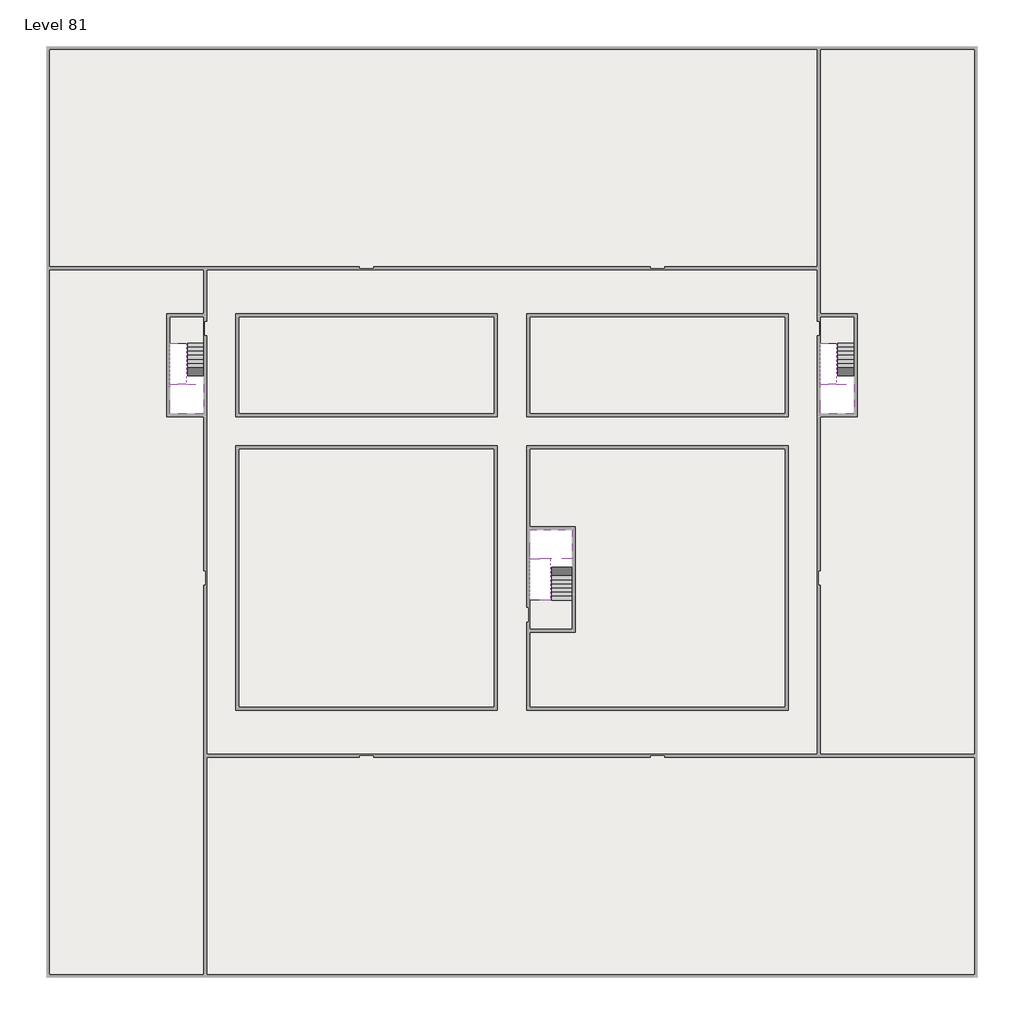
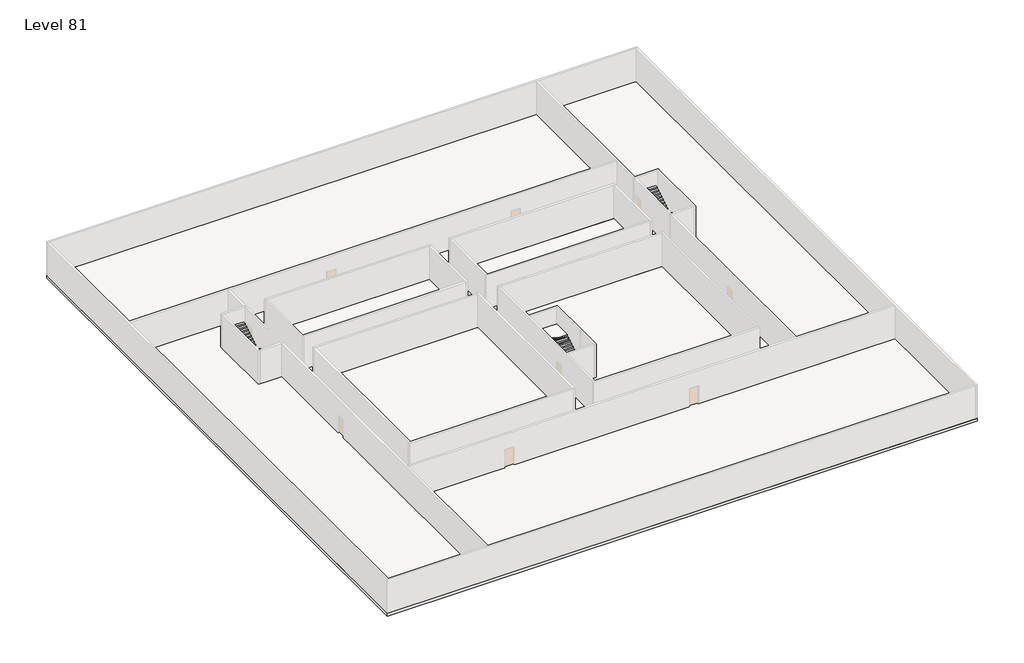
# One storey, part 2 of 2: 6 slabs, 6 stair flights.
"""IFC4 building model written with IfcOpenShell, lengths in millimetres."""

import ifcopenshell
import ifcopenshell.guid

model = None  # the IFC model being written
_history = None  # IfcOwnerHistory: only IFC2X3 demands one
_inside = {}  # id of a spatial element -> (the spatial element, [elements in it])
_under = {}  # id of a project, library or spatial element -> (it, [spatial elements below it])
_declared = {}  # id of a project -> (the project, [libraries it declares])
_typed = {}  # id of a type object -> (the type object, [elements of that type])
_made_of = {}  # id of a material, layer set ... -> (it, [elements and type objects made of it])


def new_model(schema):
    """Start an empty IFC model of exactly this schema.

    Asked for "IFC4X3", IfcOpenShell would pick the latest addendum, in which some entities
    have other attributes; the version numbers below select the first issue.
    IFC2X3 requires an IfcOwnerHistory on every rooted entity: one is made here for all.
    """
    global model, _history
    if schema == "IFC4X3":
        model = ifcopenshell.file(schema_version=(4, 3, 0, 0))
    else:
        model = ifcopenshell.file(schema=schema)
    _inside.clear()
    _under.clear()
    _declared.clear()
    _typed.clear()
    _made_of.clear()
    _history = None
    if model.schema == "IFC2X3":
        org = make("IfcOrganization", Name="unknown")
        user = make(
            "IfcPersonAndOrganization",
            ThePerson=make("IfcPerson", FamilyName="unknown"),
            TheOrganization=org,
        )
        app = make(
            "IfcApplication",
            ApplicationDeveloper=org,
            Version="unknown",
            ApplicationFullName="unknown",
            ApplicationIdentifier="unknown",
        )
        _history = make(
            "IfcOwnerHistory",
            OwningUser=user,
            OwningApplication=app,
            ChangeAction="ADDED",
            CreationDate=0,
        )
    return model


def make(cls, **values):
    """One entity of the class cls with the attributes given. An attribute that is None is left unset."""
    return model.create_entity(
        cls, **{name: value for name, value in values.items() if value is not None}
    )


def rooted(cls, **values):
    """An entity with a GlobalId (a new one), such as an element, a storey or a relation."""
    return make(cls, GlobalId=ifcopenshell.guid.new(), OwnerHistory=_history, **values)


def si_unit(unit_type, name, prefix=None):
    """IfcSIUnit, for example si_unit("LENGTHUNIT", "METRE", prefix="MILLI")."""
    return make("IfcSIUnit", UnitType=unit_type, Prefix=prefix, Name=name)


def assignment(units):
    """IfcUnitAssignment: the units of a project."""
    return None if units is None else make("IfcUnitAssignment", Units=units)


def point(xyz):
    """IfcCartesianPoint."""
    return None if xyz is None else make("IfcCartesianPoint", Coordinates=xyz)


def direction(xyz):
    """IfcDirection."""
    return None if xyz is None else make("IfcDirection", DirectionRatios=xyz)


def frame(location, z_axis=None, x_axis=None):
    """IfcAxis2Placement3D, a coordinate frame: its origin and axes. An axis left out is left unset."""
    return make(
        "IfcAxis2Placement3D",
        Location=point(location),
        Axis=direction(z_axis),
        RefDirection=direction(x_axis),
    )


def origin():
    """The frame at (0, 0, 0) with its axes left unset."""
    return frame((0.0, 0.0, 0.0))


def place(relative_to, where):
    """IfcLocalPlacement: puts the frame where relative to a parent placement (None: the world)."""
    return make(
        "IfcLocalPlacement", PlacementRelTo=relative_to, RelativePlacement=where
    )


def context(
    kind, dimensions, precision=None, world=None, true_north=None, identifier=None
):
    """IfcGeometricRepresentationContext, for example the 3D "Model" context."""
    return make(
        "IfcGeometricRepresentationContext",
        ContextIdentifier=identifier,
        ContextType=kind,
        CoordinateSpaceDimension=dimensions,
        Precision=precision,
        WorldCoordinateSystem=world,
        TrueNorth=true_north,
    )


def project(units=None, contexts=None):
    """IfcProject with its units and contexts."""
    return rooted(
        "IfcProject",
        Name="project",
        RepresentationContexts=contexts,
        UnitsInContext=assignment(units),
    )


def spatial(cls, under=None, at=None, **own):
    """A site, building, storey or space (cls), placed at a placement, below another one or the project."""
    s = rooted(cls, ObjectPlacement=at, **own)
    if under is not None:
        _under.setdefault(under.id(), (under, []))[1].append(s)
    return s


def polyline(points):
    """IfcPolyline through the points."""
    return make("IfcPolyline", Points=[point(p) for p in points])


def outline(outer, holes=None, kind="AREA"):
    """IfcArbitraryClosedProfileDef: a profile drawn as a closed curve; with holes, ...WithVoids."""
    if holes is None:
        return make("IfcArbitraryClosedProfileDef", ProfileType=kind, OuterCurve=outer)
    return make(
        "IfcArbitraryProfileDefWithVoids",
        ProfileType=kind,
        OuterCurve=outer,
        InnerCurves=holes,
    )


def extrude(swept, where, along, depth):
    """IfcExtrudedAreaSolid: the profile swept, set in the frame where, extruded along a direction by depth."""
    return make(
        "IfcExtrudedAreaSolid",
        SweptArea=swept,
        Position=where,
        ExtrudedDirection=direction(along),
        Depth=depth,
    )


def faces_of(points, faces, orient=None, outer=None):
    """IfcFace entities. A face is a list of loops; a loop is a list of indices into points, from 0.

    orient and outer hold one flag for each loop. By default every Orientation is true, the
    first loop of a face is its IfcFaceOuterBound and the others are IfcFaceBound.
    """
    made = []
    for i, loops in enumerate(faces):
        bounds = []
        for j, loop in enumerate(loops):
            is_outer = j == 0 if outer is None else outer[i][j]
            bounds.append(
                make(
                    "IfcFaceOuterBound" if is_outer else "IfcFaceBound",
                    Bound=make("IfcPolyLoop", Polygon=[points[k] for k in loop]),
                    Orientation=True if orient is None else orient[i][j],
                )
            )
        made.append(make("IfcFace", Bounds=bounds))
    return made


def faceted_brep(points, faces, orient=None, outer=None, voids=None):
    """IfcFacetedBrep: a solid bounded by flat faces; with voids (closed shells), ...WithVoids."""
    shared = [point(p) for p in points]
    hull = make("IfcClosedShell", CfsFaces=faces_of(shared, faces, orient, outer))
    if voids is None:
        return make("IfcFacetedBrep", Outer=hull)
    return make(
        "IfcFacetedBrepWithVoids",
        Outer=hull,
        Voids=[
            make(cls, CfsFaces=faces_of(shared, fs, o, b)) for cls, fs, o, b in voids
        ],
    )


def shape(context_of_items, identifier, shape_type, items):
    """IfcShapeRepresentation: the items that make up one representation, for example the "Body"."""
    return make(
        "IfcShapeRepresentation",
        ContextOfItems=context_of_items,
        RepresentationIdentifier=identifier,
        RepresentationType=shape_type,
        Items=items,
    )


def made_of(thing, what):
    """Note that an element or type object is made of a material, layer set ...; save() writes the relation."""
    if what is not None:
        _made_of.setdefault(what.id(), (what, []))[1].append(thing)
    return thing


def element(
    cls,
    number,
    at=None,
    inside=None,
    cuts=None,
    type_object=None,
    material=None,
    context=None,
    identifier="Body",
    shape_type=None,
    held_by="IfcProductDefinitionShape",
    body=None,
    shapes=None,
    **own,
):
    """One element of the class cls, such as IfcWall. Its Tag is "e" and its number.

    at: its placement. inside: the storey or other place that contains it. cuts: it is an
    opening in that element (IfcRelVoidsElement). A single representation is given by context,
    identifier, shape_type and body (its items); several are given by shapes. held_by: the class
    of the entity that holds the representations. save() writes the other relations.
    """
    e = rooted(cls, Tag="e%d" % number, ObjectPlacement=at, **own)
    if body is not None:
        shapes = [shape(context, identifier, shape_type, body)]
    if shapes is not None:
        e.Representation = make(held_by, Representations=shapes)
    if inside is not None:
        _inside.setdefault(inside.id(), (inside, []))[1].append(e)
    if cuts is not None:
        rooted(
            "IfcRelVoidsElement", RelatingBuildingElement=cuts, RelatedOpeningElement=e
        )
    if type_object is not None:
        _typed.setdefault(type_object.id(), (type_object, []))[1].append(e)
    return made_of(e, material)


def aggregate(whole, parts):
    """IfcRelAggregates: a whole, such as a stair, and the parts it consists of."""
    return rooted("IfcRelAggregates", RelatingObject=whole, RelatedObjects=parts)


def save(model, path):
    """Write the relations noted so far, then the file.

    IfcRelAggregates (storeys below a building ...), IfcRelContainedInSpatialStructure (elements
    in a storey), IfcRelDefinesByType, IfcRelAssociatesMaterial and IfcRelDeclares: one each for
    every whole, place, type object, material and project.
    """
    for whole, parts in _under.values():
        aggregate(whole, parts)
    for where, things in _inside.values():
        rooted(
            "IfcRelContainedInSpatialStructure",
            RelatedElements=things,
            RelatingStructure=where,
        )
    for kind, things in _typed.values():
        rooted("IfcRelDefinesByType", RelatedObjects=things, RelatingType=kind)
    for what, things in _made_of.values():
        rooted("IfcRelAssociatesMaterial", RelatedObjects=things, RelatingMaterial=what)
    for by, libraries in _declared.values():
        rooted("IfcRelDeclares", RelatingContext=by, RelatedDefinitions=libraries)
    model.write(path)


model = new_model("IFC4")

# Units and contexts
model_context = context("Model", 3, world=origin())
ifc_project = project(units=[si_unit("LENGTHUNIT", "METRE", prefix="MILLI")], contexts=[model_context])

# Site, building, storey
site = spatial("IfcSite", under=ifc_project)
building = spatial("IfcBuilding", under=site)
storey = spatial("IfcBuildingStorey", under=building, Name="Level 81", Elevation=304000.0)

# Slabs
placement = place(None, origin())
element("IfcSlab", 1, at=placement, inside=storey, context=model_context, shape_type="SweptSolid", body=[
    extrude(outline(polyline([(55890.1058784, -5518.09644), (55890.1058784, -68918.09644), (-7509.8941216, -68918.09644), (-7509.8941216, -5518.09644), (55890.1058784, -5518.09644)]), holes=[polyline([(22990.1058784, -23918.09644), (5590.1058784, -23918.09644), (5590.1058784, -30518.09644), (22990.1058784, -30518.09644), (22990.1058784, -23918.09644)]), polyline([(42990.1058784, -23918.09644), (25390.1058784, -23918.09644), (25390.1058784, -30518.09644), (42990.1058784, -30518.09644), (42990.1058784, -23918.09644)]), polyline([(25390.1058784, -50518.09644), (42790.1058784, -50518.09644), (42790.1058784, -32918.09644), (25390.1058784, -32918.09644), (25390.1058784, -50518.09644)]), polyline([(22990.1058784, -32918.09644), (5590.1058784, -32918.09644), (5590.1058784, -50518.09644), (22990.1058784, -50518.09644), (22990.1058784, -32918.09644)]), polyline([(3190.1058784, -23918.09644), (890.1058784, -23918.09644), (890.1058784, -30518.09644), (3190.1058784, -30518.09644), (3190.1058784, -23918.09644)]), polyline([(47490.1058784, -23918.09644), (45190.1058784, -23918.09644), (45190.1058784, -30518.09644), (47490.1058784, -30518.09644), (47490.1058784, -23918.09644)])]), frame((0.0, 0.0, 303700.0), z_axis=(0.0, 0.0, 1.0), x_axis=(1.0, 0.0, 0.0)), (0.0, 0.0, 1.0), 300.0),
])
element("IfcSlab", 2, at=placement, inside=storey, context=model_context, shape_type="SweptSolid", body=[
    extrude(outline(polyline([(22990.1058784, -23918.09644), (22990.1058784, -30518.09644), (5590.1058784, -30518.09644), (5590.1058784, -23918.09644), (22990.1058784, -23918.09644)])), frame((0.0, 0.0, 303700.0), z_axis=(0.0, 0.0, 1.0), x_axis=(1.0, 0.0, 0.0)), (0.0, 0.0, 1.0), 300.0),
    extrude(outline(polyline([(42990.1058784, -23918.09644), (42990.1058784, -30518.09644), (25390.1058784, -30518.09644), (25390.1058784, -23918.09644), (42990.1058784, -23918.09644)])), frame((0.0, 0.0, 303700.0), z_axis=(0.0, 0.0, 1.0), x_axis=(1.0, 0.0, 0.0)), (0.0, 0.0, 1.0), 300.0),
    extrude(outline(polyline([(22990.1058784, -32918.09644), (22990.1058784, -50518.09644), (5590.1058784, -50518.09644), (5590.1058784, -32918.09644), (22990.1058784, -32918.09644)])), frame((0.0, 0.0, 303700.0), z_axis=(0.0, 0.0, 1.0), x_axis=(1.0, 0.0, 0.0)), (0.0, 0.0, 1.0), 300.0),
    extrude(outline(polyline([(25390.1058784, -38218.09644), (25390.1058784, -32918.09644), (42790.1058784, -32918.09644), (42790.1058784, -50518.09644), (25390.1058784, -50518.09644), (25390.1058784, -45418.09644), (28490.1058784, -45418.09644), (28490.1058784, -38218.09644), (25390.1058784, -38218.09644)])), frame((0.0, 0.0, 303700.0), z_axis=(0.0, 0.0, 1.0), x_axis=(1.0, 0.0, 0.0)), (0.0, 0.0, 1.0), 300.0),
])
element("IfcSlab", 3, at=placement, inside=storey, context=model_context, shape_type="Brep", body=[
    faceted_brep([(3190.1058784, -28518.09644, 305900.0), (2090.1058784, -28518.09644, 305900.0), (1990.1058784, -28518.09644, 305900.0), (890.1058784, -28518.09644, 305900.0), (890.1058784, -28718.7100038, 305900.0), (890.1058784, -30518.09644, 305900.0), (3190.1058784, -30518.09644, 305900.0), (3190.1058784, -28597.4828763, 305900.0), (3190.1058784, -28518.09644, 305727.2727273), (3190.1058784, -28518.09644, 305551.0278478), (2090.1058784, -28518.09644, 305551.0278478), (2090.1058784, -28518.09644, 305600.0), (1990.1058784, -28518.09644, 305600.0), (1990.1058784, -28518.09644, 305723.7551205), (890.1058784, -28518.09644, 305723.7551205), (890.1058784, -28718.7100038, 305600.0), (890.1058784, -30518.09644, 305600.0), (3190.1058784, -30518.09644, 305600.0), (3190.1058784, -28597.4828763, 305600.0), (1990.1058784, -28718.7100038, 305600.0), (2090.1058784, -28597.4828763, 305600.0)], [[[0, 1, 2, 3, 4, 5, 6, 7]], [[1, 0, 8, 9, 10, 11]], [[2, 1, 11, 12, 13]], [[3, 2, 13, 14]], [[3, 14, 15, 16, 5, 4]], [[6, 5, 16, 17]], [[9, 8, 0, 7, 6, 17, 18]], [[19, 12, 11, 20, 18, 17, 16, 15]], [[12, 19, 13]], [[18, 20, 10, 9]], [[20, 11, 10]], [[19, 15, 14, 13]]]),
])
element("IfcSlab", 4, at=placement, inside=storey, context=model_context, shape_type="Brep", body=[
    faceted_brep([(47490.1058784, -28518.09644, 305900.0), (46390.1058784, -28518.09644, 305900.0), (46290.1058784, -28518.09644, 305900.0), (45190.1058784, -28518.09644, 305900.0), (45190.1058784, -28718.7100038, 305900.0), (45190.1058784, -30518.09644, 305900.0), (47490.1058784, -30518.09644, 305900.0), (47490.1058784, -28597.4828763, 305900.0), (47490.1058784, -28518.09644, 305727.2727273), (47490.1058784, -28518.09644, 305551.0278478), (46390.1058784, -28518.09644, 305551.0278478), (46390.1058784, -28518.09644, 305600.0), (46290.1058784, -28518.09644, 305600.0), (46290.1058784, -28518.09644, 305723.7551205), (45190.1058784, -28518.09644, 305723.7551205), (45190.1058784, -28718.7100038, 305600.0), (45190.1058784, -30518.09644, 305600.0), (47490.1058784, -30518.09644, 305600.0), (47490.1058784, -28597.4828763, 305600.0), (46290.1058784, -28718.7100038, 305600.0), (46390.1058784, -28597.4828763, 305600.0)], [[[0, 1, 2, 3, 4, 5, 6, 7]], [[1, 0, 8, 9, 10, 11]], [[2, 1, 11, 12, 13]], [[3, 2, 13, 14]], [[3, 14, 15, 16, 5, 4]], [[6, 5, 16, 17]], [[9, 8, 0, 7, 6, 17, 18]], [[19, 12, 11, 20, 18, 17, 16, 15]], [[12, 19, 13]], [[18, 20, 10, 9]], [[20, 11, 10]], [[19, 15, 14, 13]]]),
])
element("IfcSlab", 5, at=placement, inside=storey, context=model_context, shape_type="Brep", body=[
    faceted_brep([(26890.1058784, -40418.09644, 305900.0), (28290.1058784, -40418.09644, 305900.0), (28290.1058784, -40338.7100038, 305900.0), (28290.1058784, -38418.09644, 305900.0), (25390.1058784, -38418.09644, 305900.0), (25390.1058784, -40217.4828763, 305900.0), (25390.1058784, -40418.09644, 305900.0), (26790.1058784, -40418.09644, 305900.0), (26890.1058784, -40418.09644, 305600.0), (26890.1058784, -40418.09644, 305551.0278478), (28290.1058784, -40418.09644, 305551.0278478), (28290.1058784, -40418.09644, 305727.2727273), (28290.1058784, -40338.7100038, 305600.0), (28290.1058784, -38418.09644, 305600.0), (25390.1058784, -38418.09644, 305600.0), (25390.1058784, -40217.4828763, 305600.0), (25390.1058784, -40418.09644, 305723.7551205), (26790.1058784, -40418.09644, 305723.7551205), (26790.1058784, -40418.09644, 305600.0), (26790.1058784, -40217.4828763, 305600.0), (26890.1058784, -40338.7100038, 305600.0)], [[[0, 1, 2, 3, 4, 5, 6, 7]], [[1, 0, 8, 9, 10, 11]], [[1, 11, 10, 12, 13, 3, 2]], [[4, 3, 13, 14]], [[4, 14, 15, 16, 6, 5]], [[7, 6, 16, 17]], [[0, 7, 17, 18, 8]], [[18, 19, 15, 14, 13, 12, 20, 8]], [[19, 18, 17]], [[20, 12, 10, 9]], [[8, 20, 9]], [[15, 19, 17, 16]]]),
])
element("IfcSlab", 6, at=placement, inside=storey, context=model_context, shape_type="SweptSolid", body=[
    extrude(outline(polyline([(3190.1058784, -23918.09644), (3190.1058784, -25718.09644), (890.1058784, -25718.09644), (890.1058784, -23918.09644), (3190.1058784, -23918.09644)])), frame((0.0, 0.0, 303700.0), z_axis=(0.0, 0.0, 1.0), x_axis=(1.0, 0.0, 0.0)), (0.0, 0.0, 1.0), 300.0),
    extrude(outline(polyline([(47490.1058784, -23918.09644), (47490.1058784, -25718.09644), (45190.1058784, -25718.09644), (45190.1058784, -23918.09644), (47490.1058784, -23918.09644)])), frame((0.0, 0.0, 303700.0), z_axis=(0.0, 0.0, 1.0), x_axis=(1.0, 0.0, 0.0)), (0.0, 0.0, 1.0), 300.0),
    extrude(outline(polyline([(28290.1058784, -43218.09644), (28290.1058784, -45218.09644), (25390.1058784, -45218.09644), (25390.1058784, -43218.09644), (28290.1058784, -43218.09644)])), frame((0.0, 0.0, 303700.0), z_axis=(0.0, 0.0, 1.0), x_axis=(1.0, 0.0, 0.0)), (0.0, 0.0, 1.0), 300.0),
])

# Stair flights
element("IfcStairFlight", 7, at=placement, inside=storey, context=model_context, shape_type="Brep", body=[
    faceted_brep([(3190.1058784, -25998.09644, 304172.7272727), (3190.1058784, -25718.09644, 304172.7272727), (2090.1058784, -25718.09644, 304172.7272727), (2090.1058784, -25998.09644, 304172.7272727), (3190.1058784, -25998.09644, 304000.0), (3190.1058784, -25718.09644, 304000.0), (2090.1058784, -25718.09644, 304000.0), (2090.1058784, -25998.09644, 304000.0), (3190.1058784, -26278.09644, 304345.4545455), (3190.1058784, -25998.09644, 304345.4545455), (2090.1058784, -25998.09644, 304345.4545455), (2090.1058784, -26278.09644, 304345.4545455), (3190.1058784, -26278.09644, 304169.209666), (3190.1058784, -26003.7986657, 304000.0), (2090.1058784, -26003.7986657, 304000.0), (2090.1058784, -26278.09644, 304169.209666), (3190.1058784, -26558.09644, 304518.1818182), (3190.1058784, -26278.09644, 304518.1818182), (2090.1058784, -26278.09644, 304518.1818182), (2090.1058784, -26558.09644, 304518.1818182), (3190.1058784, -26558.09644, 304341.9369387), (2090.1058784, -26558.09644, 304341.9369387), (3190.1058784, -26838.09644, 304690.9090909), (3190.1058784, -26558.09644, 304690.9090909), (2090.1058784, -26558.09644, 304690.9090909), (2090.1058784, -26838.09644, 304690.9090909), (3190.1058784, -26838.09644, 304514.6642114), (2090.1058784, -26838.09644, 304514.6642114), (3190.1058784, -27118.09644, 304863.6363636), (3190.1058784, -26838.09644, 304863.6363636), (2090.1058784, -26838.09644, 304863.6363636), (2090.1058784, -27118.09644, 304863.6363636), (3190.1058784, -27118.09644, 304687.3914841), (2090.1058784, -27118.09644, 304687.3914841), (3190.1058784, -27398.09644, 305036.3636364), (3190.1058784, -27118.09644, 305036.3636364), (2090.1058784, -27118.09644, 305036.3636364), (2090.1058784, -27398.09644, 305036.3636364), (3190.1058784, -27398.09644, 304860.1187569), (2090.1058784, -27398.09644, 304860.1187569), (3190.1058784, -27678.09644, 305209.0909091), (3190.1058784, -27398.09644, 305209.0909091), (2090.1058784, -27398.09644, 305209.0909091), (2090.1058784, -27678.09644, 305209.0909091), (3190.1058784, -27678.09644, 305032.8460296), (2090.1058784, -27678.09644, 305032.8460296), (3190.1058784, -27958.09644, 305381.8181818), (3190.1058784, -27678.09644, 305381.8181818), (2090.1058784, -27678.09644, 305381.8181818), (2090.1058784, -27958.09644, 305381.8181818), (3190.1058784, -27958.09644, 305205.5733023), (2090.1058784, -27958.09644, 305205.5733023), (3190.1058784, -28238.09644, 305554.5454545), (3190.1058784, -27958.09644, 305554.5454545), (2090.1058784, -27958.09644, 305554.5454545), (2090.1058784, -28238.09644, 305554.5454545), (3190.1058784, -28238.09644, 305378.3005751), (2090.1058784, -28238.09644, 305378.3005751), (3190.1058784, -28518.09644, 305727.2727273), (3190.1058784, -28238.09644, 305727.2727273), (2090.1058784, -28238.09644, 305727.2727273), (2090.1058784, -28518.09644, 305727.2727273), (3190.1058784, -28518.09644, 305551.0278478), (2090.1058784, -28518.09644, 305551.0278478), (2090.1058784, -28518.09644, 305600.0)], [[[0, 1, 2, 3]], [[1, 0, 4, 5]], [[2, 1, 5, 6]], [[3, 2, 6, 7]], [[8, 9, 10, 11]], [[4, 0, 9, 8, 12, 13]], [[0, 3, 10, 9]], [[3, 7, 14, 15, 11, 10]], [[16, 17, 18, 19]], [[17, 16, 20, 12, 8]], [[8, 11, 18, 17]], [[19, 18, 11, 15, 21]], [[22, 23, 24, 25]], [[23, 22, 26, 20, 16]], [[16, 19, 24, 23]], [[25, 24, 19, 21, 27]], [[28, 29, 30, 31]], [[29, 28, 32, 26, 22]], [[22, 25, 30, 29]], [[31, 30, 25, 27, 33]], [[34, 35, 36, 37]], [[35, 34, 38, 32, 28]], [[28, 31, 36, 35]], [[37, 36, 31, 33, 39]], [[40, 41, 42, 43]], [[41, 40, 44, 38, 34]], [[34, 37, 42, 41]], [[43, 42, 37, 39, 45]], [[46, 47, 48, 49]], [[47, 46, 50, 44, 40]], [[40, 43, 48, 47]], [[49, 48, 43, 45, 51]], [[52, 53, 54, 55]], [[53, 52, 56, 50, 46]], [[46, 49, 54, 53]], [[55, 54, 49, 51, 57]], [[58, 59, 60, 61]], [[59, 58, 62, 56, 52]], [[52, 55, 60, 59]], [[61, 60, 55, 57, 63, 64]], [[58, 61, 64, 63, 62]], [[5, 4, 13, 14, 7, 6]], [[14, 13, 12, 20, 26, 32, 38, 44, 50, 56, 62, 63, 57, 51, 45, 39, 33, 27, 21, 15]]]),
])
element("IfcStairFlight", 8, at=placement, inside=storey, context=model_context, shape_type="Brep", body=[
    faceted_brep([(890.1058784, -28238.09644, 306072.7272727), (890.1058784, -28518.09644, 306072.7272727), (1990.1058784, -28518.09644, 306072.7272727), (1990.1058784, -28238.09644, 306072.7272727), (890.1058784, -28238.09644, 305896.4823932), (890.1058784, -28518.09644, 305723.7551205), (890.1058784, -28518.09644, 305900.0), (1990.1058784, -28518.09644, 305723.7551205), (1990.1058784, -28238.09644, 305896.4823932), (890.1058784, -27958.09644, 306245.4545455), (890.1058784, -28238.09644, 306245.4545455), (1990.1058784, -28238.09644, 306245.4545455), (1990.1058784, -27958.09644, 306245.4545455), (890.1058784, -27958.09644, 306069.209666), (1990.1058784, -27958.09644, 306069.209666), (890.1058784, -27678.09644, 306418.1818182), (890.1058784, -27958.09644, 306418.1818182), (1990.1058784, -27958.09644, 306418.1818182), (1990.1058784, -27678.09644, 306418.1818182), (890.1058784, -27678.09644, 306241.9369387), (1990.1058784, -27678.09644, 306241.9369387), (890.1058784, -27398.09644, 306590.9090909), (890.1058784, -27678.09644, 306590.9090909), (1990.1058784, -27678.09644, 306590.9090909), (1990.1058784, -27398.09644, 306590.9090909), (890.1058784, -27398.09644, 306414.6642114), (1990.1058784, -27398.09644, 306414.6642114), (890.1058784, -27118.09644, 306763.6363636), (890.1058784, -27398.09644, 306763.6363636), (1990.1058784, -27398.09644, 306763.6363636), (1990.1058784, -27118.09644, 306763.6363636), (890.1058784, -27118.09644, 306587.3914841), (1990.1058784, -27118.09644, 306587.3914841), (890.1058784, -26838.09644, 306936.3636364), (890.1058784, -27118.09644, 306936.3636364), (1990.1058784, -27118.09644, 306936.3636364), (1990.1058784, -26838.09644, 306936.3636364), (890.1058784, -26838.09644, 306760.1187569), (1990.1058784, -26838.09644, 306760.1187569), (890.1058784, -26558.09644, 307109.0909091), (890.1058784, -26838.09644, 307109.0909091), (1990.1058784, -26838.09644, 307109.0909091), (1990.1058784, -26558.09644, 307109.0909091), (890.1058784, -26558.09644, 306932.8460296), (1990.1058784, -26558.09644, 306932.8460296), (890.1058784, -26278.09644, 307281.8181818), (890.1058784, -26558.09644, 307281.8181818), (1990.1058784, -26558.09644, 307281.8181818), (1990.1058784, -26278.09644, 307281.8181818), (890.1058784, -26278.09644, 307105.5733023), (1990.1058784, -26278.09644, 307105.5733023), (890.1058784, -25998.09644, 307454.5454545), (890.1058784, -26278.09644, 307454.5454545), (1990.1058784, -26278.09644, 307454.5454545), (1990.1058784, -25998.09644, 307454.5454545), (890.1058784, -25998.09644, 307278.3005751), (1990.1058784, -25998.09644, 307278.3005751), (890.1058784, -25718.09644, 307627.2727273), (890.1058784, -25998.09644, 307627.2727273), (1990.1058784, -25998.09644, 307627.2727273), (1990.1058784, -25718.09644, 307627.2727273), (890.1058784, -25718.09644, 307451.0278478), (1990.1058784, -25718.09644, 307451.0278478)], [[[0, 1, 2, 3]], [[1, 0, 4, 5, 6]], [[2, 1, 6, 5, 7]], [[3, 2, 7, 8]], [[9, 10, 11, 12]], [[10, 9, 13, 4, 0]], [[11, 10, 0, 3]], [[12, 11, 3, 8, 14]], [[15, 16, 17, 18]], [[16, 15, 19, 13, 9]], [[17, 16, 9, 12]], [[18, 17, 12, 14, 20]], [[21, 22, 23, 24]], [[22, 21, 25, 19, 15]], [[23, 22, 15, 18]], [[24, 23, 18, 20, 26]], [[27, 28, 29, 30]], [[28, 27, 31, 25, 21]], [[29, 28, 21, 24]], [[30, 29, 24, 26, 32]], [[33, 34, 35, 36]], [[34, 33, 37, 31, 27]], [[35, 34, 27, 30]], [[36, 35, 30, 32, 38]], [[39, 40, 41, 42]], [[40, 39, 43, 37, 33]], [[41, 40, 33, 36]], [[42, 41, 36, 38, 44]], [[45, 46, 47, 48]], [[46, 45, 49, 43, 39]], [[47, 46, 39, 42]], [[48, 47, 42, 44, 50]], [[51, 52, 53, 54]], [[52, 51, 55, 49, 45]], [[53, 52, 45, 48]], [[54, 53, 48, 50, 56]], [[57, 58, 59, 60]], [[58, 57, 61, 55, 51]], [[59, 58, 51, 54]], [[60, 59, 54, 56, 62]], [[57, 60, 62, 61]], [[5, 4, 13, 19, 25, 31, 37, 43, 49, 55, 61, 62, 56, 50, 44, 38, 32, 26, 20, 14, 8, 7]]]),
])
element("IfcStairFlight", 9, at=placement, inside=storey, context=model_context, shape_type="Brep", body=[
    faceted_brep([(47490.1058784, -25998.09644, 304172.7272727), (47490.1058784, -25718.09644, 304172.7272727), (46390.1058784, -25718.09644, 304172.7272727), (46390.1058784, -25998.09644, 304172.7272727), (47490.1058784, -25998.09644, 304000.0), (47490.1058784, -25718.09644, 304000.0), (46390.1058784, -25718.09644, 304000.0), (46390.1058784, -25998.09644, 304000.0), (47490.1058784, -26278.09644, 304345.4545455), (47490.1058784, -25998.09644, 304345.4545455), (46390.1058784, -25998.09644, 304345.4545455), (46390.1058784, -26278.09644, 304345.4545455), (47490.1058784, -26278.09644, 304169.209666), (47490.1058784, -26003.7986657, 304000.0), (46390.1058784, -26003.7986657, 304000.0), (46390.1058784, -26278.09644, 304169.209666), (47490.1058784, -26558.09644, 304518.1818182), (47490.1058784, -26278.09644, 304518.1818182), (46390.1058784, -26278.09644, 304518.1818182), (46390.1058784, -26558.09644, 304518.1818182), (47490.1058784, -26558.09644, 304341.9369387), (46390.1058784, -26558.09644, 304341.9369387), (47490.1058784, -26838.09644, 304690.9090909), (47490.1058784, -26558.09644, 304690.9090909), (46390.1058784, -26558.09644, 304690.9090909), (46390.1058784, -26838.09644, 304690.9090909), (47490.1058784, -26838.09644, 304514.6642114), (46390.1058784, -26838.09644, 304514.6642114), (47490.1058784, -27118.09644, 304863.6363636), (47490.1058784, -26838.09644, 304863.6363636), (46390.1058784, -26838.09644, 304863.6363636), (46390.1058784, -27118.09644, 304863.6363636), (47490.1058784, -27118.09644, 304687.3914841), (46390.1058784, -27118.09644, 304687.3914841), (47490.1058784, -27398.09644, 305036.3636364), (47490.1058784, -27118.09644, 305036.3636364), (46390.1058784, -27118.09644, 305036.3636364), (46390.1058784, -27398.09644, 305036.3636364), (47490.1058784, -27398.09644, 304860.1187569), (46390.1058784, -27398.09644, 304860.1187569), (47490.1058784, -27678.09644, 305209.0909091), (47490.1058784, -27398.09644, 305209.0909091), (46390.1058784, -27398.09644, 305209.0909091), (46390.1058784, -27678.09644, 305209.0909091), (47490.1058784, -27678.09644, 305032.8460296), (46390.1058784, -27678.09644, 305032.8460296), (47490.1058784, -27958.09644, 305381.8181818), (47490.1058784, -27678.09644, 305381.8181818), (46390.1058784, -27678.09644, 305381.8181818), (46390.1058784, -27958.09644, 305381.8181818), (47490.1058784, -27958.09644, 305205.5733023), (46390.1058784, -27958.09644, 305205.5733023), (47490.1058784, -28238.09644, 305554.5454545), (47490.1058784, -27958.09644, 305554.5454545), (46390.1058784, -27958.09644, 305554.5454545), (46390.1058784, -28238.09644, 305554.5454545), (47490.1058784, -28238.09644, 305378.3005751), (46390.1058784, -28238.09644, 305378.3005751), (47490.1058784, -28518.09644, 305727.2727273), (47490.1058784, -28238.09644, 305727.2727273), (46390.1058784, -28238.09644, 305727.2727273), (46390.1058784, -28518.09644, 305727.2727273), (47490.1058784, -28518.09644, 305551.0278478), (46390.1058784, -28518.09644, 305551.0278478), (46390.1058784, -28518.09644, 305600.0)], [[[0, 1, 2, 3]], [[1, 0, 4, 5]], [[2, 1, 5, 6]], [[3, 2, 6, 7]], [[8, 9, 10, 11]], [[4, 0, 9, 8, 12, 13]], [[0, 3, 10, 9]], [[3, 7, 14, 15, 11, 10]], [[16, 17, 18, 19]], [[17, 16, 20, 12, 8]], [[8, 11, 18, 17]], [[19, 18, 11, 15, 21]], [[22, 23, 24, 25]], [[23, 22, 26, 20, 16]], [[16, 19, 24, 23]], [[25, 24, 19, 21, 27]], [[28, 29, 30, 31]], [[29, 28, 32, 26, 22]], [[22, 25, 30, 29]], [[31, 30, 25, 27, 33]], [[34, 35, 36, 37]], [[35, 34, 38, 32, 28]], [[28, 31, 36, 35]], [[37, 36, 31, 33, 39]], [[40, 41, 42, 43]], [[41, 40, 44, 38, 34]], [[34, 37, 42, 41]], [[43, 42, 37, 39, 45]], [[46, 47, 48, 49]], [[47, 46, 50, 44, 40]], [[40, 43, 48, 47]], [[49, 48, 43, 45, 51]], [[52, 53, 54, 55]], [[53, 52, 56, 50, 46]], [[46, 49, 54, 53]], [[55, 54, 49, 51, 57]], [[58, 59, 60, 61]], [[59, 58, 62, 56, 52]], [[52, 55, 60, 59]], [[61, 60, 55, 57, 63, 64]], [[58, 61, 64, 63, 62]], [[5, 4, 13, 14, 7, 6]], [[14, 13, 12, 20, 26, 32, 38, 44, 50, 56, 62, 63, 57, 51, 45, 39, 33, 27, 21, 15]]]),
])
element("IfcStairFlight", 10, at=placement, inside=storey, context=model_context, shape_type="Brep", body=[
    faceted_brep([(45190.1058784, -28238.09644, 306072.7272727), (45190.1058784, -28518.09644, 306072.7272727), (46290.1058784, -28518.09644, 306072.7272727), (46290.1058784, -28238.09644, 306072.7272727), (45190.1058784, -28238.09644, 305896.4823932), (45190.1058784, -28518.09644, 305723.7551205), (45190.1058784, -28518.09644, 305900.0), (46290.1058784, -28518.09644, 305723.7551205), (46290.1058784, -28238.09644, 305896.4823932), (45190.1058784, -27958.09644, 306245.4545455), (45190.1058784, -28238.09644, 306245.4545455), (46290.1058784, -28238.09644, 306245.4545455), (46290.1058784, -27958.09644, 306245.4545455), (45190.1058784, -27958.09644, 306069.209666), (46290.1058784, -27958.09644, 306069.209666), (45190.1058784, -27678.09644, 306418.1818182), (45190.1058784, -27958.09644, 306418.1818182), (46290.1058784, -27958.09644, 306418.1818182), (46290.1058784, -27678.09644, 306418.1818182), (45190.1058784, -27678.09644, 306241.9369387), (46290.1058784, -27678.09644, 306241.9369387), (45190.1058784, -27398.09644, 306590.9090909), (45190.1058784, -27678.09644, 306590.9090909), (46290.1058784, -27678.09644, 306590.9090909), (46290.1058784, -27398.09644, 306590.9090909), (45190.1058784, -27398.09644, 306414.6642114), (46290.1058784, -27398.09644, 306414.6642114), (45190.1058784, -27118.09644, 306763.6363636), (45190.1058784, -27398.09644, 306763.6363636), (46290.1058784, -27398.09644, 306763.6363636), (46290.1058784, -27118.09644, 306763.6363636), (45190.1058784, -27118.09644, 306587.3914841), (46290.1058784, -27118.09644, 306587.3914841), (45190.1058784, -26838.09644, 306936.3636364), (45190.1058784, -27118.09644, 306936.3636364), (46290.1058784, -27118.09644, 306936.3636364), (46290.1058784, -26838.09644, 306936.3636364), (45190.1058784, -26838.09644, 306760.1187569), (46290.1058784, -26838.09644, 306760.1187569), (45190.1058784, -26558.09644, 307109.0909091), (45190.1058784, -26838.09644, 307109.0909091), (46290.1058784, -26838.09644, 307109.0909091), (46290.1058784, -26558.09644, 307109.0909091), (45190.1058784, -26558.09644, 306932.8460296), (46290.1058784, -26558.09644, 306932.8460296), (45190.1058784, -26278.09644, 307281.8181818), (45190.1058784, -26558.09644, 307281.8181818), (46290.1058784, -26558.09644, 307281.8181818), (46290.1058784, -26278.09644, 307281.8181818), (45190.1058784, -26278.09644, 307105.5733023), (46290.1058784, -26278.09644, 307105.5733023), (45190.1058784, -25998.09644, 307454.5454545), (45190.1058784, -26278.09644, 307454.5454545), (46290.1058784, -26278.09644, 307454.5454545), (46290.1058784, -25998.09644, 307454.5454545), (45190.1058784, -25998.09644, 307278.3005751), (46290.1058784, -25998.09644, 307278.3005751), (45190.1058784, -25718.09644, 307627.2727273), (45190.1058784, -25998.09644, 307627.2727273), (46290.1058784, -25998.09644, 307627.2727273), (46290.1058784, -25718.09644, 307627.2727273), (45190.1058784, -25718.09644, 307451.0278478), (46290.1058784, -25718.09644, 307451.0278478)], [[[0, 1, 2, 3]], [[1, 0, 4, 5, 6]], [[2, 1, 6, 5, 7]], [[3, 2, 7, 8]], [[9, 10, 11, 12]], [[10, 9, 13, 4, 0]], [[11, 10, 0, 3]], [[12, 11, 3, 8, 14]], [[15, 16, 17, 18]], [[16, 15, 19, 13, 9]], [[17, 16, 9, 12]], [[18, 17, 12, 14, 20]], [[21, 22, 23, 24]], [[22, 21, 25, 19, 15]], [[23, 22, 15, 18]], [[24, 23, 18, 20, 26]], [[27, 28, 29, 30]], [[28, 27, 31, 25, 21]], [[29, 28, 21, 24]], [[30, 29, 24, 26, 32]], [[33, 34, 35, 36]], [[34, 33, 37, 31, 27]], [[35, 34, 27, 30]], [[36, 35, 30, 32, 38]], [[39, 40, 41, 42]], [[40, 39, 43, 37, 33]], [[41, 40, 33, 36]], [[42, 41, 36, 38, 44]], [[45, 46, 47, 48]], [[46, 45, 49, 43, 39]], [[47, 46, 39, 42]], [[48, 47, 42, 44, 50]], [[51, 52, 53, 54]], [[52, 51, 55, 49, 45]], [[53, 52, 45, 48]], [[54, 53, 48, 50, 56]], [[57, 58, 59, 60]], [[58, 57, 61, 55, 51]], [[59, 58, 51, 54]], [[60, 59, 54, 56, 62]], [[57, 60, 62, 61]], [[5, 4, 13, 19, 25, 31, 37, 43, 49, 55, 61, 62, 56, 50, 44, 38, 32, 26, 20, 14, 8, 7]]]),
])
element("IfcStairFlight", 11, at=placement, inside=storey, context=model_context, shape_type="Brep", body=[
    faceted_brep([(26890.1058784, -42938.09644, 304172.7272727), (26890.1058784, -43218.09644, 304172.7272727), (28290.1058784, -43218.09644, 304172.7272727), (28290.1058784, -42938.09644, 304172.7272727), (26890.1058784, -42938.09644, 304000.0), (26890.1058784, -43218.09644, 304000.0), (28290.1058784, -43218.09644, 304000.0), (28290.1058784, -42938.09644, 304000.0), (26890.1058784, -42658.09644, 304345.4545455), (26890.1058784, -42938.09644, 304345.4545455), (28290.1058784, -42938.09644, 304345.4545455), (28290.1058784, -42658.09644, 304345.4545455), (26890.1058784, -42658.09644, 304169.209666), (26890.1058784, -42932.3942143, 304000.0), (28290.1058784, -42932.3942143, 304000.0), (28290.1058784, -42658.09644, 304169.209666), (26890.1058784, -42378.09644, 304518.1818182), (26890.1058784, -42658.09644, 304518.1818182), (28290.1058784, -42658.09644, 304518.1818182), (28290.1058784, -42378.09644, 304518.1818182), (26890.1058784, -42378.09644, 304341.9369387), (28290.1058784, -42378.09644, 304341.9369387), (26890.1058784, -42098.09644, 304690.9090909), (26890.1058784, -42378.09644, 304690.9090909), (28290.1058784, -42378.09644, 304690.9090909), (28290.1058784, -42098.09644, 304690.9090909), (26890.1058784, -42098.09644, 304514.6642114), (28290.1058784, -42098.09644, 304514.6642114), (26890.1058784, -41818.09644, 304863.6363636), (26890.1058784, -42098.09644, 304863.6363636), (28290.1058784, -42098.09644, 304863.6363636), (28290.1058784, -41818.09644, 304863.6363636), (26890.1058784, -41818.09644, 304687.3914841), (28290.1058784, -41818.09644, 304687.3914841), (26890.1058784, -41538.09644, 305036.3636364), (26890.1058784, -41818.09644, 305036.3636364), (28290.1058784, -41818.09644, 305036.3636364), (28290.1058784, -41538.09644, 305036.3636364), (26890.1058784, -41538.09644, 304860.1187569), (28290.1058784, -41538.09644, 304860.1187569), (26890.1058784, -41258.09644, 305209.0909091), (26890.1058784, -41538.09644, 305209.0909091), (28290.1058784, -41538.09644, 305209.0909091), (28290.1058784, -41258.09644, 305209.0909091), (26890.1058784, -41258.09644, 305032.8460296), (28290.1058784, -41258.09644, 305032.8460296), (26890.1058784, -40978.09644, 305381.8181818), (26890.1058784, -41258.09644, 305381.8181818), (28290.1058784, -41258.09644, 305381.8181818), (28290.1058784, -40978.09644, 305381.8181818), (26890.1058784, -40978.09644, 305205.5733023), (28290.1058784, -40978.09644, 305205.5733023), (26890.1058784, -40698.09644, 305554.5454545), (26890.1058784, -40978.09644, 305554.5454545), (28290.1058784, -40978.09644, 305554.5454545), (28290.1058784, -40698.09644, 305554.5454545), (26890.1058784, -40698.09644, 305378.3005751), (28290.1058784, -40698.09644, 305378.3005751), (26890.1058784, -40418.09644, 305727.2727273), (26890.1058784, -40698.09644, 305727.2727273), (28290.1058784, -40698.09644, 305727.2727273), (28290.1058784, -40418.09644, 305727.2727273), (26890.1058784, -40418.09644, 305600.0), (26890.1058784, -40418.09644, 305551.0278478), (28290.1058784, -40418.09644, 305551.0278478)], [[[0, 1, 2, 3]], [[1, 0, 4, 5]], [[2, 1, 5, 6]], [[3, 2, 6, 7]], [[8, 9, 10, 11]], [[4, 0, 9, 8, 12, 13]], [[0, 3, 10, 9]], [[3, 7, 14, 15, 11, 10]], [[16, 17, 18, 19]], [[17, 16, 20, 12, 8]], [[8, 11, 18, 17]], [[19, 18, 11, 15, 21]], [[22, 23, 24, 25]], [[23, 22, 26, 20, 16]], [[16, 19, 24, 23]], [[25, 24, 19, 21, 27]], [[28, 29, 30, 31]], [[29, 28, 32, 26, 22]], [[22, 25, 30, 29]], [[31, 30, 25, 27, 33]], [[34, 35, 36, 37]], [[35, 34, 38, 32, 28]], [[28, 31, 36, 35]], [[37, 36, 31, 33, 39]], [[40, 41, 42, 43]], [[41, 40, 44, 38, 34]], [[34, 37, 42, 41]], [[43, 42, 37, 39, 45]], [[46, 47, 48, 49]], [[47, 46, 50, 44, 40]], [[40, 43, 48, 47]], [[49, 48, 43, 45, 51]], [[52, 53, 54, 55]], [[53, 52, 56, 50, 46]], [[46, 49, 54, 53]], [[55, 54, 49, 51, 57]], [[58, 59, 60, 61]], [[59, 58, 62, 63, 56, 52]], [[52, 55, 60, 59]], [[61, 60, 55, 57, 64]], [[58, 61, 64, 63, 62]], [[5, 4, 13, 14, 7, 6]], [[14, 13, 12, 20, 26, 32, 38, 44, 50, 56, 63, 64, 57, 51, 45, 39, 33, 27, 21, 15]]]),
])
element("IfcStairFlight", 12, at=placement, inside=storey, context=model_context, shape_type="Brep", body=[
    faceted_brep([(26790.1058784, -40698.09644, 306072.7272727), (26790.1058784, -40418.09644, 306072.7272727), (25390.1058784, -40418.09644, 306072.7272727), (25390.1058784, -40698.09644, 306072.7272727), (26790.1058784, -40698.09644, 305896.4823932), (26790.1058784, -40418.09644, 305723.7551205), (25390.1058784, -40418.09644, 305723.7551205), (25390.1058784, -40418.09644, 305900.0), (25390.1058784, -40698.09644, 305896.4823932), (26790.1058784, -40978.09644, 306245.4545455), (26790.1058784, -40698.09644, 306245.4545455), (25390.1058784, -40698.09644, 306245.4545455), (25390.1058784, -40978.09644, 306245.4545455), (26790.1058784, -40978.09644, 306069.209666), (25390.1058784, -40978.09644, 306069.209666), (26790.1058784, -41258.09644, 306418.1818182), (26790.1058784, -40978.09644, 306418.1818182), (25390.1058784, -40978.09644, 306418.1818182), (25390.1058784, -41258.09644, 306418.1818182), (26790.1058784, -41258.09644, 306241.9369387), (25390.1058784, -41258.09644, 306241.9369387), (26790.1058784, -41538.09644, 306590.9090909), (26790.1058784, -41258.09644, 306590.9090909), (25390.1058784, -41258.09644, 306590.9090909), (25390.1058784, -41538.09644, 306590.9090909), (26790.1058784, -41538.09644, 306414.6642114), (25390.1058784, -41538.09644, 306414.6642114), (26790.1058784, -41818.09644, 306763.6363636), (26790.1058784, -41538.09644, 306763.6363636), (25390.1058784, -41538.09644, 306763.6363636), (25390.1058784, -41818.09644, 306763.6363636), (26790.1058784, -41818.09644, 306587.3914841), (25390.1058784, -41818.09644, 306587.3914841), (26790.1058784, -42098.09644, 306936.3636364), (26790.1058784, -41818.09644, 306936.3636364), (25390.1058784, -41818.09644, 306936.3636364), (25390.1058784, -42098.09644, 306936.3636364), (26790.1058784, -42098.09644, 306760.1187569), (25390.1058784, -42098.09644, 306760.1187569), (26790.1058784, -42378.09644, 307109.0909091), (26790.1058784, -42098.09644, 307109.0909091), (25390.1058784, -42098.09644, 307109.0909091), (25390.1058784, -42378.09644, 307109.0909091), (26790.1058784, -42378.09644, 306932.8460296), (25390.1058784, -42378.09644, 306932.8460296), (26790.1058784, -42658.09644, 307281.8181818), (26790.1058784, -42378.09644, 307281.8181818), (25390.1058784, -42378.09644, 307281.8181818), (25390.1058784, -42658.09644, 307281.8181818), (26790.1058784, -42658.09644, 307105.5733023), (25390.1058784, -42658.09644, 307105.5733023), (26790.1058784, -42938.09644, 307454.5454545), (26790.1058784, -42658.09644, 307454.5454545), (25390.1058784, -42658.09644, 307454.5454545), (25390.1058784, -42938.09644, 307454.5454545), (26790.1058784, -42938.09644, 307278.3005751), (25390.1058784, -42938.09644, 307278.3005751), (26790.1058784, -43218.09644, 307627.2727273), (26790.1058784, -42938.09644, 307627.2727273), (25390.1058784, -42938.09644, 307627.2727273), (25390.1058784, -43218.09644, 307627.2727273), (26790.1058784, -43218.09644, 307451.0278478), (25390.1058784, -43218.09644, 307451.0278478)], [[[0, 1, 2, 3]], [[1, 0, 4, 5]], [[2, 1, 5, 6, 7]], [[3, 2, 7, 6, 8]], [[9, 10, 11, 12]], [[10, 9, 13, 4, 0]], [[11, 10, 0, 3]], [[12, 11, 3, 8, 14]], [[15, 16, 17, 18]], [[16, 15, 19, 13, 9]], [[17, 16, 9, 12]], [[18, 17, 12, 14, 20]], [[21, 22, 23, 24]], [[22, 21, 25, 19, 15]], [[23, 22, 15, 18]], [[24, 23, 18, 20, 26]], [[27, 28, 29, 30]], [[28, 27, 31, 25, 21]], [[29, 28, 21, 24]], [[30, 29, 24, 26, 32]], [[33, 34, 35, 36]], [[34, 33, 37, 31, 27]], [[35, 34, 27, 30]], [[36, 35, 30, 32, 38]], [[39, 40, 41, 42]], [[40, 39, 43, 37, 33]], [[41, 40, 33, 36]], [[42, 41, 36, 38, 44]], [[45, 46, 47, 48]], [[46, 45, 49, 43, 39]], [[47, 46, 39, 42]], [[48, 47, 42, 44, 50]], [[51, 52, 53, 54]], [[52, 51, 55, 49, 45]], [[53, 52, 45, 48]], [[54, 53, 48, 50, 56]], [[57, 58, 59, 60]], [[58, 57, 61, 55, 51]], [[59, 58, 51, 54]], [[60, 59, 54, 56, 62]], [[57, 60, 62, 61]], [[5, 4, 13, 19, 25, 31, 37, 43, 49, 55, 61, 62, 56, 50, 44, 38, 32, 26, 20, 14, 8, 6]]]),
])

save(model, "model.ifc")
